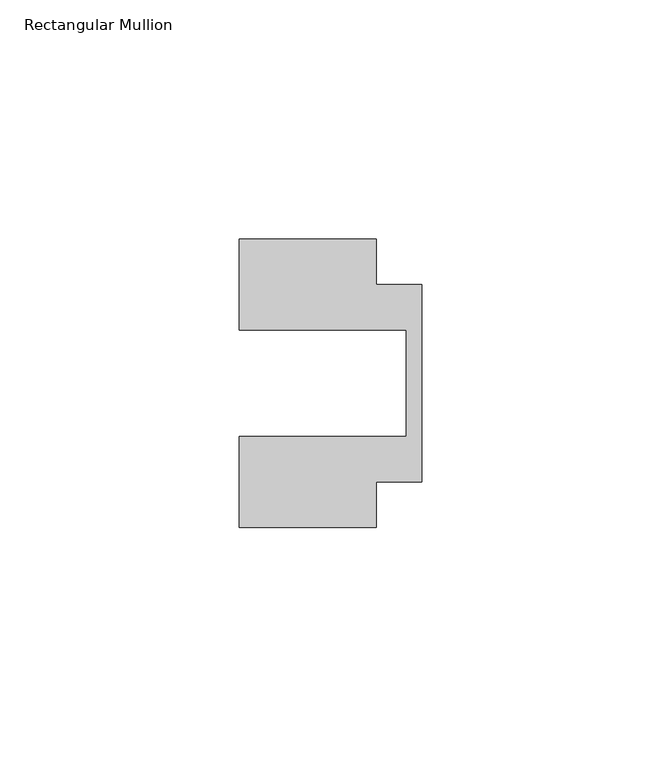
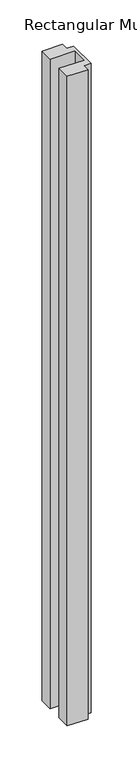
"""IFC4 building model written with IfcOpenShell, lengths in millimetres: member geometry, Rectangular Mullion."""

from ifc_helpers import new_model, si_unit, frame, origin, place, context, project, spatial, polyline, outline, extrude, source, transform, mapped, element, save


def rectangular_mullion_615efbd7(model_context):
    return source(origin(), model_context, "Body", "SweptSolid", [
        extrude(outline(polyline([(-38.1, 11.1125), (-38.1, 30.1625), (-9.525, 30.1625), (-9.525, 20.6375), (0.0, 20.6375), (0.0, -20.6375), (-9.525, -20.6375), (-9.525, -30.1625), (-38.1, -30.1625), (-38.1, -11.1125), (-3.175, -11.1125), (-3.175, 11.1125), (-38.1, 11.1125)])), frame((0.0, 0.0, -942.975), z_axis=(0.0, 0.0, 1.0), x_axis=(1.0, 0.0, 0.0)), (0.0, 0.0, 1.0), 942.975),
    ])


if __name__ == "__main__":
    model = new_model("IFC4")
    model_context = context("Model", 3, world=origin())
    ifc_project = project(units=[si_unit("LENGTHUNIT", "METRE", prefix="MILLI")], contexts=[model_context])
    site = spatial("IfcSite", under=ifc_project)
    building = spatial("IfcBuilding", under=site)
    placement = place(None, origin())
    rectangular_mullion_shape = rectangular_mullion_615efbd7(model_context)
    element("IfcMember", 1, ObjectType="Rectangular Mullion", at=placement, inside=building, context=model_context, shape_type="MappedRepresentation", body=[
        mapped(rectangular_mullion_shape, transform((0.0, 0.0, 0.0), x_axis=(1.0, 0.0, 0.0), y_axis=(0.0, 1.0, 0.0), z_axis=(0.0, 0.0, 1.0))),
    ])
    save(model, "model.ifc")
